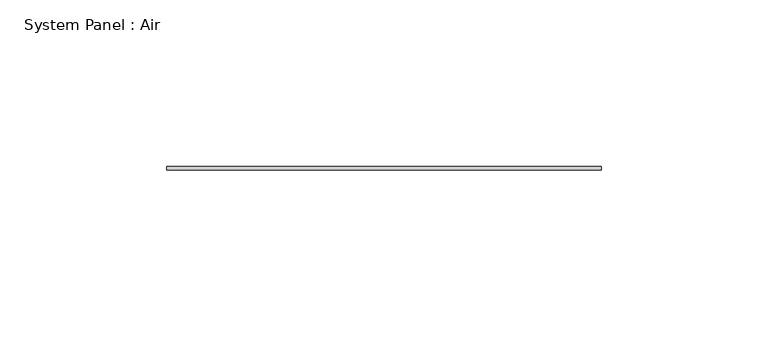
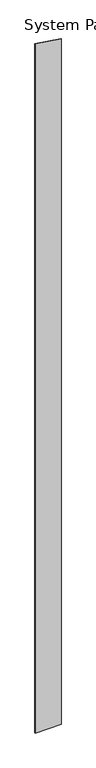
"""IFC4 building model written with IfcOpenShell, lengths in millimetres: plate geometry, System Panel : Air."""

from ifc_helpers import new_model, si_unit, frame, origin, place, context, project, spatial, polyline, outline, extrude, source, transform, mapped, element, save


def system_panel_air_db5b1e87(model_context):
    return source(origin(), model_context, "Body", "SweptSolid", [
        extrude(outline(polyline([(0.0, -65.0), (0.0, 65.0), (3622.9327298, 65.0), (3642.1875084, -65.0), (0.0, -65.0)])), frame((0.0, 36.5, 0.0), z_axis=(0.0, 1.0, 0.0), x_axis=(0.0, 0.0, 1.0)), (0.0, 0.0, 1.0), 1.0),
    ])


if __name__ == "__main__":
    model = new_model("IFC4")
    model_context = context("Model", 3, world=origin())
    ifc_project = project(units=[si_unit("LENGTHUNIT", "METRE", prefix="MILLI")], contexts=[model_context])
    site = spatial("IfcSite", under=ifc_project)
    building = spatial("IfcBuilding", under=site)
    placement = place(None, origin())
    system_panel_air_shape = system_panel_air_db5b1e87(model_context)
    element("IfcPlate", 1, ObjectType="System Panel : Air", at=placement, inside=building, context=model_context, shape_type="MappedRepresentation", body=[
        mapped(system_panel_air_shape, transform((0.0, 0.0, 0.0), x_axis=(1.0, 0.0, 0.0), y_axis=(0.0, 1.0, 0.0), z_axis=(0.0, 0.0, 1.0))),
    ])
    save(model, "model.ifc")
